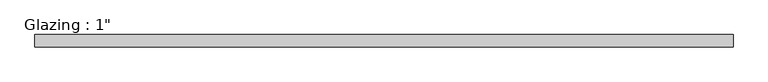
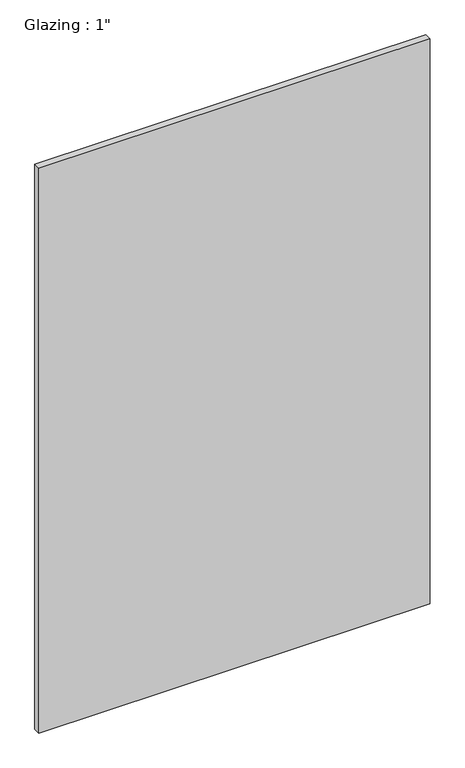
"""IFC4 building model written with IfcOpenShell, lengths in millimetres: plate geometry."""

from ifc_helpers import new_model, si_unit, origin, origin_with_axes, place, context, project, spatial, polyline, outline, extrude, source, transform, mapped, element, save


def plate_c4887556(model_context):
    return source(origin(), model_context, "Body", "SweptSolid", [
        extrude(outline(polyline([(713.8074708, -12.7), (-713.8074708, -12.7), (-713.8074708, 12.7), (713.8074708, 12.7), (713.8074708, -12.7)])), origin_with_axes(), (0.0, 0.0, 1.0), 2177.9424222),
    ])


if __name__ == "__main__":
    model = new_model("IFC4")
    model_context = context("Model", 3, world=origin())
    ifc_project = project(units=[si_unit("LENGTHUNIT", "METRE", prefix="MILLI")], contexts=[model_context])
    site = spatial("IfcSite", under=ifc_project)
    building = spatial("IfcBuilding", under=site)
    placement = place(None, origin())
    plate_shape = plate_c4887556(model_context)
    element("IfcPlate", 1, ObjectType="Glazing : 1\"", at=placement, inside=building, context=model_context, shape_type="MappedRepresentation", body=[
        mapped(plate_shape, transform((0.0, 0.0, 0.0), x_axis=(1.0, 0.0, 0.0), y_axis=(0.0, 1.0, 0.0), z_axis=(0.0, 0.0, 1.0))),
    ])
    save(model, "model.ifc")
